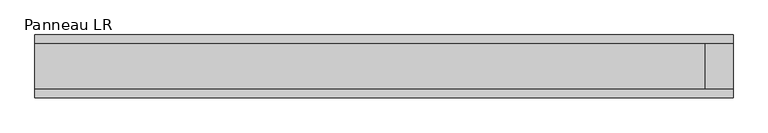
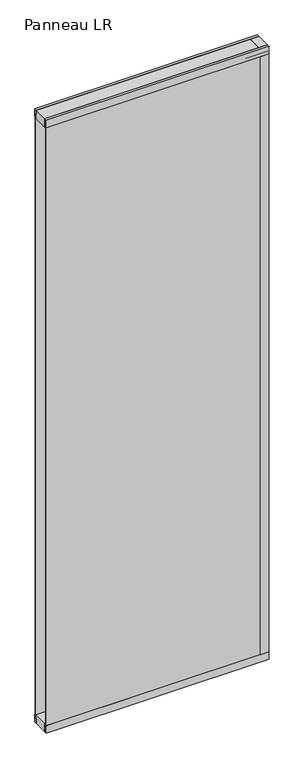
"""IFC4 building model written with IfcOpenShell, lengths in millimetres: plate geometry, Panneau LR."""

from ifc_helpers import new_model, si_unit, frame, origin, origin_with_axes, place, context, project, spatial, polyline, outline, extrude, source, transform, mapped, element, save


def panneau_lr_13e7e528(model_context):
    return source(origin(), model_context, "Body", "SweptSolid", [
        extrude(outline(polyline([(33.0, 2910.0), (45.0, 2910.0), (45.0, 2875.0), (43.8, 2875.0), (43.8, 2890.0), (33.0, 2890.0), (33.0, 2910.0)])), frame((-500.7748678, 0.0, 0.0), z_axis=(1.0, 0.0, 0.0), x_axis=(0.0, 1.0, 0.0)), (0.0, 0.0, 1.0), 1001.5497356),
        extrude(outline(polyline([(-45.0, 2875.0), (-45.0, 2910.0), (-33.0, 2910.0), (-33.0, 2890.0), (-43.8, 2890.0), (-43.8, 2875.0), (-45.0, 2875.0)])), frame((-500.7748678, 0.0, 0.0), z_axis=(1.0, 0.0, 0.0), x_axis=(0.0, 1.0, 0.0)), (0.0, 0.0, 1.0), 1001.5497356),
        extrude(outline(polyline([(500.7748678, 33.0), (500.7748678, -33.0), (460.7748678, -33.0), (460.7748678, 33.0), (500.7748678, 33.0)])), frame((0.0, 0.0, 40.0), z_axis=(0.0, 0.0, 1.0), x_axis=(1.0, 0.0, 0.0)), (0.0, 0.0, 1.0), 2870.0),
        extrude(outline(polyline([(462.1748678, 43.8), (462.1748678, 45.0), (500.7748678, 45.0), (500.7748678, 33.0), (477.1748678, 33.0), (477.1748678, 43.8), (462.1748678, 43.8)])), frame((0.0, 0.0, 35.0), z_axis=(0.0, 0.0, 1.0), x_axis=(1.0, 0.0, 0.0)), (0.0, 0.0, 1.0), 2840.0),
        extrude(outline(polyline([(462.1748678, -45.0), (462.1748678, -43.8), (477.1748678, -43.8), (477.1748678, -33.0), (500.7748678, -33.0), (500.7748678, -45.0), (462.1748678, -45.0)])), frame((0.0, 0.0, 35.0), z_axis=(0.0, 0.0, 1.0), x_axis=(1.0, 0.0, 0.0)), (0.0, 0.0, 1.0), 2840.0),
        extrude(outline(polyline([(33.0, 0.0), (33.0, 20.0), (43.8, 20.0), (43.8, 35.0), (45.0, 35.0), (45.0, 0.0), (33.0, 0.0)])), frame((-500.7748678, 0.0, 0.0), z_axis=(1.0, 0.0, 0.0), x_axis=(0.0, 1.0, 0.0)), (0.0, 0.0, 1.0), 1001.5497356),
        extrude(outline(polyline([(-45.0, 35.0), (-43.8, 35.0), (-43.8, 20.0), (-33.0, 20.0), (-33.0, 0.0), (-45.0, 0.0), (-45.0, 35.0)])), frame((-500.7748678, 0.0, 0.0), z_axis=(1.0, 0.0, 0.0), x_axis=(0.0, 1.0, 0.0)), (0.0, 0.0, 1.0), 1001.5497356),
        extrude(outline(polyline([(500.7748678, -33.0), (-500.7748678, -33.0), (-500.7748678, 33.0), (500.7748678, 33.0), (500.7748678, -33.0)])), frame((0.0, 0.0, 2870.0), z_axis=(0.0, 0.0, 1.0), x_axis=(1.0, 0.0, 0.0)), (0.0, 0.0, 1.0), 40.0),
        extrude(outline(polyline([(500.7748678, -33.0), (-500.7748678, -33.0), (-500.7748678, 33.0), (500.7748678, 33.0), (500.7748678, -33.0)])), origin_with_axes(), (0.0, 0.0, 1.0), 40.0),
        extrude(outline(polyline([(492.7748678, 37.8), (-500.7748678, 37.8), (-500.7748678, 43.8), (492.7748678, 43.8), (492.7748678, 37.8)])), frame((0.0, 0.0, 20.0), z_axis=(0.0, 0.0, 1.0), x_axis=(1.0, 0.0, 0.0)), (0.0, 0.0, 1.0), 2870.0),
        extrude(outline(polyline([(-500.7748678, -43.8), (-500.7748678, -37.8), (492.7748678, -37.8), (492.7748678, -43.8), (-500.7748678, -43.8)])), frame((0.0, 0.0, 20.0), z_axis=(0.0, 0.0, 1.0), x_axis=(1.0, 0.0, 0.0)), (0.0, 0.0, 1.0), 2870.0),
    ])


if __name__ == "__main__":
    model = new_model("IFC4")
    model_context = context("Model", 3, world=origin())
    ifc_project = project(units=[si_unit("LENGTHUNIT", "METRE", prefix="MILLI")], contexts=[model_context])
    site = spatial("IfcSite", under=ifc_project)
    building = spatial("IfcBuilding", under=site)
    placement = place(None, origin())
    panneau_lr_shape = panneau_lr_13e7e528(model_context)
    element("IfcPlate", 1, ObjectType="Panneau LR", at=placement, inside=building, context=model_context, shape_type="MappedRepresentation", body=[
        mapped(panneau_lr_shape, transform((0.0, 0.0, 0.0), x_axis=(1.0, 0.0, 0.0), y_axis=(0.0, 1.0, 0.0), z_axis=(0.0, 0.0, 1.0))),
    ])
    save(model, "model.ifc")
